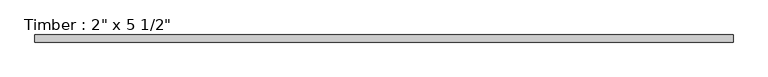
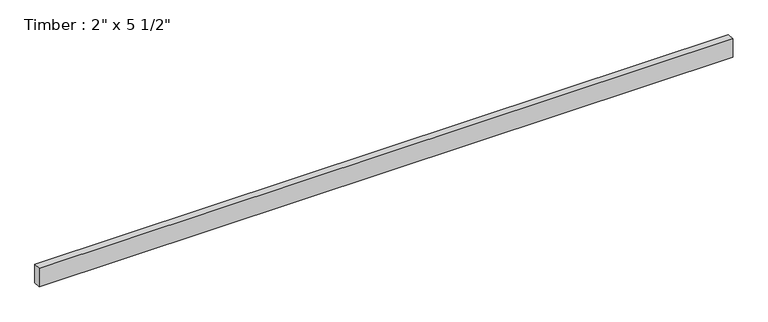
"""IFC4 building model written with IfcOpenShell, lengths in millimetres: beam geometry."""

from ifc_helpers import new_model, si_unit, frame, origin, place, context, project, spatial, polyline, outline, extrude, source, transform, mapped, element, save


def beam_f80102c1(model_context):
    return source(origin(), model_context, "Body", "SweptSolid", [
        extrude(outline(polyline([(2478.704426, 25.4), (2478.704426, -25.4), (-2478.7044266, -25.4), (-2478.7044266, 25.4), (2478.704426, 25.4)])), frame((0.0, 0.0, -69.85), z_axis=(0.0, 0.0, 1.0), x_axis=(1.0, 0.0, 0.0)), (0.0, 0.0, 1.0), 139.7),
    ])


if __name__ == "__main__":
    model = new_model("IFC4")
    model_context = context("Model", 3, world=origin())
    ifc_project = project(units=[si_unit("LENGTHUNIT", "METRE", prefix="MILLI")], contexts=[model_context])
    site = spatial("IfcSite", under=ifc_project)
    building = spatial("IfcBuilding", under=site)
    placement = place(None, origin())
    beam_shape = beam_f80102c1(model_context)
    element("IfcBeam", 1, ObjectType="Timber : 2\" x 5 1/2\"", at=placement, inside=building, context=model_context, shape_type="MappedRepresentation", body=[
        mapped(beam_shape, transform((0.0, 0.0, 0.0), x_axis=(1.0, 0.0, 0.0), y_axis=(0.0, 1.0, 0.0), z_axis=(0.0, 0.0, 1.0))),
    ])
    save(model, "model.ifc")
